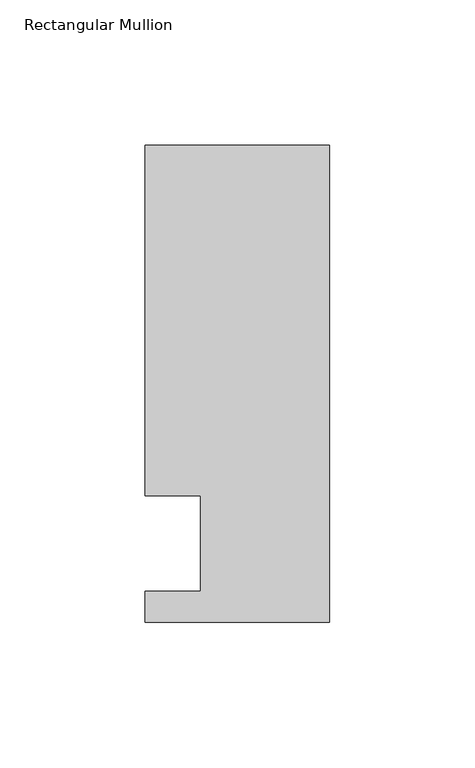
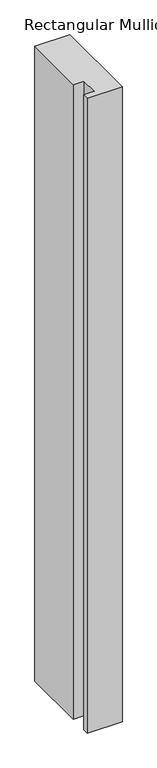
"""IFC4 building model written with IfcOpenShell, lengths in millimetres: member geometry, Rectangular Mullion."""

from ifc_helpers import new_model, si_unit, frame, origin, place, context, project, spatial, polyline, outline, extrude, source, transform, mapped, element, save


def rectangular_mullion_f7f55b42(model_context):
    return source(origin(), model_context, "Body", "SweptSolid", [
        extrude(outline(polyline([(-31.75, 152.4), (31.75, 152.4), (31.75, -11.684), (-31.7691048, -11.684), (-31.7691048, -1.016), (-12.7, -1.016), (-12.7, 31.75), (-31.75, 31.75), (-31.75, 152.4)])), frame((0.0, 0.0, -1219.2), z_axis=(0.0, 0.0, 1.0), x_axis=(1.0, 0.0, 0.0)), (0.0, 0.0, 1.0), 1219.2),
    ])


if __name__ == "__main__":
    model = new_model("IFC4")
    model_context = context("Model", 3, world=origin())
    ifc_project = project(units=[si_unit("LENGTHUNIT", "METRE", prefix="MILLI")], contexts=[model_context])
    site = spatial("IfcSite", under=ifc_project)
    building = spatial("IfcBuilding", under=site)
    placement = place(None, origin())
    rectangular_mullion_shape = rectangular_mullion_f7f55b42(model_context)
    element("IfcMember", 1, ObjectType="Rectangular Mullion", at=placement, inside=building, context=model_context, shape_type="MappedRepresentation", body=[
        mapped(rectangular_mullion_shape, transform((0.0, 0.0, 0.0), x_axis=(1.0, 0.0, 0.0), y_axis=(0.0, 1.0, 0.0), z_axis=(0.0, 0.0, 1.0))),
    ])
    save(model, "model.ifc")
